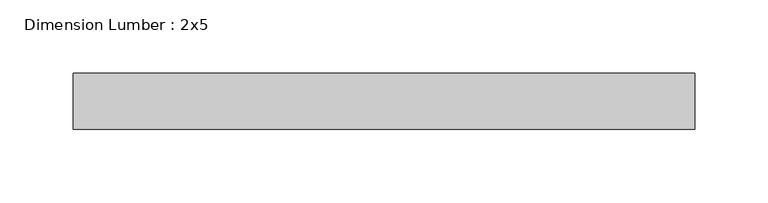
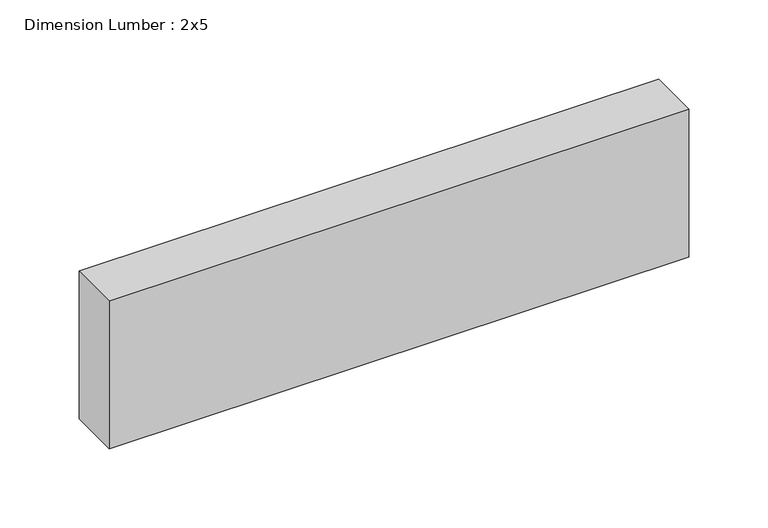
"""IFC4 building model written with IfcOpenShell, lengths in millimetres: beam geometry, Dimension Lumber : 2x5."""

from ifc_helpers import new_model, si_unit, frame, origin, place, context, project, spatial, polyline, outline, extrude, source, transform, mapped, element, save


def dimension_lumber_2x5_b95b3b03(model_context):
    return source(origin(), model_context, "Body", "SweptSolid", [
        extrude(outline(polyline([(209.7741847, 19.05), (209.7741847, -19.05), (-212.8382713, -19.05), (-212.8382713, 19.05), (209.7741847, 19.05)])), frame((0.0, 0.0, -57.15), z_axis=(0.0, 0.0, 1.0), x_axis=(1.0, 0.0, 0.0)), (0.0, 0.0, 1.0), 114.3),
    ])


if __name__ == "__main__":
    model = new_model("IFC4")
    model_context = context("Model", 3, world=origin())
    ifc_project = project(units=[si_unit("LENGTHUNIT", "METRE", prefix="MILLI")], contexts=[model_context])
    site = spatial("IfcSite", under=ifc_project)
    building = spatial("IfcBuilding", under=site)
    placement = place(None, origin())
    dimension_lumber_2x5_shape = dimension_lumber_2x5_b95b3b03(model_context)
    element("IfcBeam", 1, ObjectType="Dimension Lumber : 2x5", at=placement, inside=building, context=model_context, shape_type="MappedRepresentation", body=[
        mapped(dimension_lumber_2x5_shape, transform((0.0, 0.0, 0.0), x_axis=(1.0, 0.0, 0.0), y_axis=(0.0, 1.0, 0.0), z_axis=(0.0, 0.0, 1.0))),
    ])
    save(model, "model.ifc")
